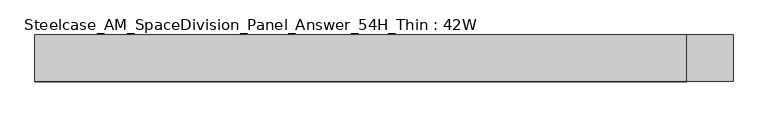
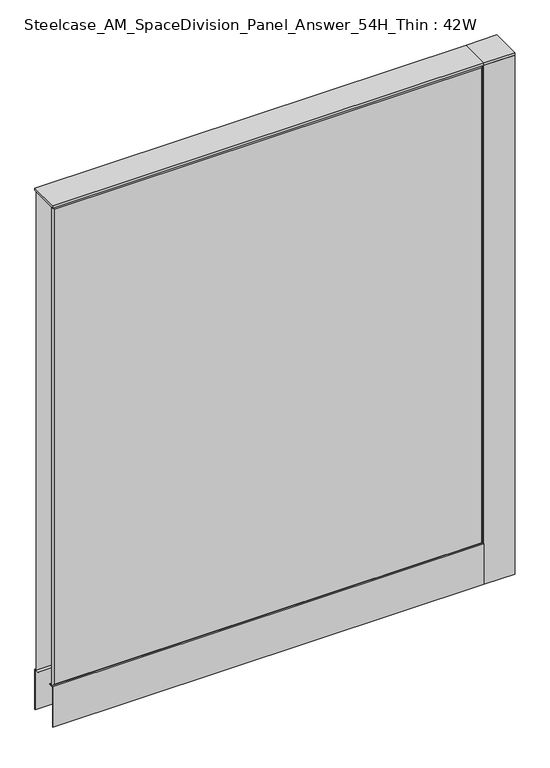
"""IFC4 building model written with IfcOpenShell, lengths in millimetres: furniture geometry, Steelcase_AM_SpaceDivision_Panel_Answer_54H_Thin : 42W."""

from ifc_helpers import new_model, si_unit, point, frame, frame_2d, origin, place, context, project, spatial, polyline, circle_curve, trimmed, segment, composite_curve, outline, extrude, faceted_brep, source, transform, mapped, element, save


def steelcase_am_spacedivision_panel_answer_54h_thin_42w_9dc8ae75(model_context):
    return source(origin(), model_context, "Body", "SolidModel", [
        extrude(outline(polyline([(37.3075215, 119.8575157), (25.4000011, 119.8575157), (25.4000011, 120.65), (38.1000194, 120.65), (38.1000194, 15.494), (37.3075215, 15.494), (37.3075215, 119.8575157)])), frame((-533.4, 0.0, 0.0), z_axis=(1.0, 0.0, 0.0), x_axis=(0.0, 1.0, 0.0)), (0.0, 0.0, 1.0), 1066.8),
        extrude(outline(polyline([(-37.3075215, 119.8575157), (-37.3075215, 15.494), (-38.1000194, 15.494), (-38.1000194, 120.65), (-25.4000011, 120.65), (-25.4000011, 119.8575157), (-37.3075215, 119.8575157)])), frame((-533.4, 0.0, 0.0), z_axis=(1.0, 0.0, 0.0), x_axis=(0.0, 1.0, 0.0)), (0.0, 0.0, 1.0), 1066.8),
        extrude(outline(composite_curve([segment(trimmed(circle_curve(frame_2d((571.5, -1.94e-05)), 5.08), [point((576.58, -1.94e-05))], [point((566.42, -1.94e-05))], False, "CARTESIAN"), True, "CONTINUOUS"), segment(trimmed(circle_curve(frame_2d((571.5, -1.94e-05)), 5.08), [point((566.42, -1.94e-05))], [point((576.58, -1.94e-05))], False, "CARTESIAN"), True, "CONTINUOUS")], self_intersect=False)), frame((0.0, 0.0, 5.0799671), z_axis=(0.0, 0.0, 1.0), x_axis=(1.0, 0.0, 0.0)), (0.0, 0.0, 1.0), 10.414),
        extrude(outline(composite_curve([segment(trimmed(circle_curve(frame_2d((571.5, -1.94e-05)), 15.24), [point((586.74, -1.94e-05))], [point((556.26, -1.94e-05))], False, "CARTESIAN"), True, "CONTINUOUS"), segment(trimmed(circle_curve(frame_2d((571.5, -1.94e-05)), 15.24), [point((556.26, -1.94e-05))], [point((586.74, -1.94e-05))], False, "CARTESIAN"), True, "CONTINUOUS")], self_intersect=False)), frame((0.0, 0.0, -3.29e-05), z_axis=(0.0, 0.0, 1.0), x_axis=(1.0, 0.0, 0.0)), (0.0, 0.0, 1.0), 5.08),
        extrude(outline(polyline([(533.4, -38.1), (533.4, 38.1), (609.6, 38.1), (609.6, -38.1), (533.4, -38.1)])), frame((0.0, 0.0, 1371.5999671), z_axis=(0.0, 0.0, 1.0), x_axis=(1.0, 0.0, 0.0)), (0.0, 0.0, 1.0), 6.35),
        extrude(outline(polyline([(609.6, 38.1), (609.6, -38.1), (533.4, -38.1), (533.4, 38.1), (609.6, 38.1)])), frame((0.0, 0.0, 15.4939671), z_axis=(0.0, 0.0, 1.0), x_axis=(1.0, 0.0, 0.0)), (0.0, 0.0, 1.0), 1356.106),
        faceted_brep([(-528.574, 38.0960552, 1366.774), (528.574, 38.0960552, 1366.774), (528.574, 38.0960552, 125.476), (-528.574, 38.0960552, 125.476), (-533.4, 33.2700552, 1371.6), (-533.4, 33.2700552, 120.65), (533.4, 33.2700552, 120.65), (533.4, 33.2700552, 1371.6)], [[[0, 1, 2, 3]], [[4, 5, 6, 7]], [[4, 7, 1, 0]], [[7, 6, 2, 1]], [[6, 5, 3, 2]], [[5, 4, 0, 3]]]),
        faceted_brep([(528.574, -38.0960552, 1366.774), (-528.574, -38.0960552, 1366.774), (-528.574, -38.0960552, 125.476), (528.574, -38.0960552, 125.476), (533.4, -33.2700552, 1371.6), (533.4, -33.2700552, 120.65), (-533.4, -33.2700552, 120.65), (-533.4, -33.2700552, 1371.6)], [[[0, 1, 2, 3]], [[4, 5, 6, 7]], [[4, 7, 1, 0]], [[7, 6, 2, 1]], [[6, 5, 3, 2]], [[5, 4, 0, 3]]]),
        extrude(outline(polyline([(533.4, 38.1000194), (533.4, -38.1000194), (-533.4, -38.1000194), (-533.4, 38.1000194), (533.4, 38.1000194)])), frame((0.0, 0.0, 1371.6), z_axis=(0.0, 0.0, 1.0), x_axis=(1.0, 0.0, 0.0)), (0.0, 0.0, 1.0), 6.35),
    ])


if __name__ == "__main__":
    model = new_model("IFC4")
    model_context = context("Model", 3, world=origin())
    ifc_project = project(units=[si_unit("LENGTHUNIT", "METRE", prefix="MILLI")], contexts=[model_context])
    site = spatial("IfcSite", under=ifc_project)
    building = spatial("IfcBuilding", under=site)
    placement = place(None, origin())
    steelcase_am_spacedivision_panel_answer_54h_thin_42w_shape = steelcase_am_spacedivision_panel_answer_54h_thin_42w_9dc8ae75(model_context)
    element("IfcFurniture", 1, ObjectType="Steelcase_AM_SpaceDivision_Panel_Answer_54H_Thin : 42W", at=placement, inside=building, context=model_context, shape_type="MappedRepresentation", body=[
        mapped(steelcase_am_spacedivision_panel_answer_54h_thin_42w_shape, transform((0.0, 0.0, 0.0), x_axis=(1.0, 0.0, 0.0), y_axis=(0.0, 1.0, 0.0), z_axis=(0.0, 0.0, 1.0))),
    ])
    save(model, "model.ifc")
